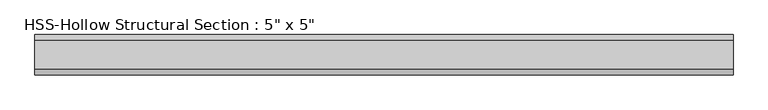
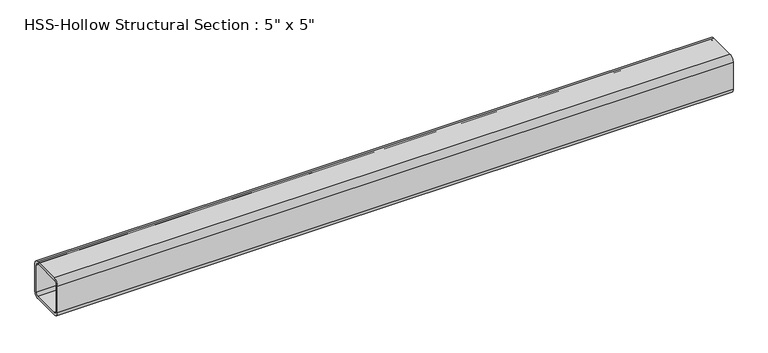
"""IFC4 building model written with IfcOpenShell, lengths in millimetres: beam geometry."""

from ifc_helpers import new_model, si_unit, point, frame, frame_2d, origin, place, context, project, spatial, polyline, circle_curve, trimmed, segment, composite_curve, outline, extrude, source, transform, mapped, element, save


def beam_c6bdea38(model_context):
    return source(origin(), model_context, "Body", "SweptSolid", [
        extrude(outline(composite_curve([segment(trimmed(circle_curve(frame_2d((-45.8390625, 45.8390625)), 17.6609375), [point((-63.5, 45.8390625))], [point((-45.8390625, 63.5))], False, "CARTESIAN"), True, "CONTINUOUS"), segment(polyline([(-45.8390625, 63.5), (45.8390625, 63.5)]), True, "CONTINUOUS"), segment(trimmed(circle_curve(frame_2d((45.8390625, 45.8390625)), 17.6609375), [point((45.8390625, 63.5))], [point((63.5, 45.8390625))], False, "CARTESIAN"), True, "CONTINUOUS"), segment(polyline([(63.5, 45.8390625), (63.5, -45.8390625)]), True, "CONTINUOUS"), segment(trimmed(circle_curve(frame_2d((45.8390625, -45.8390625)), 17.6609375), [point((63.5, -45.8390625))], [point((45.8390625, -63.5))], False, "CARTESIAN"), True, "CONTINUOUS"), segment(polyline([(45.8390625, -63.5), (-45.8390625, -63.5)]), True, "CONTINUOUS"), segment(trimmed(circle_curve(frame_2d((-45.8390625, -45.8390625)), 17.6609375), [point((-45.8390625, -63.5))], [point((-63.5, -45.8390625))], False, "CARTESIAN"), True, "CONTINUOUS"), segment(polyline([(-63.5, -45.8390625), (-63.5, 45.8390625)]), True, "CONTINUOUS")], self_intersect=False), holes=[composite_curve([segment(polyline([(45.8390625, 54.6695312), (-45.8390625, 54.6695312)]), True, "CONTINUOUS"), segment(trimmed(circle_curve(frame_2d((-45.8390625, 45.8390625)), 8.8304687), [point((-45.8390625, 54.6695312))], [point((-54.6695312, 45.8390625))], True, "CARTESIAN"), True, "CONTINUOUS"), segment(polyline([(-54.6695312, 45.8390625), (-54.6695312, -45.8390625)]), True, "CONTINUOUS"), segment(trimmed(circle_curve(frame_2d((-45.8390625, -45.8390625)), 8.8304687), [point((-54.6695312, -45.8390625))], [point((-45.8390625, -54.6695313))], True, "CARTESIAN"), True, "CONTINUOUS"), segment(polyline([(-45.8390625, -54.6695313), (45.8390625, -54.6695313)]), True, "CONTINUOUS"), segment(trimmed(circle_curve(frame_2d((45.8390625, -45.8390625)), 8.8304687), [point((45.8390625, -54.6695313))], [point((54.6695313, -45.8390625))], True, "CARTESIAN"), True, "CONTINUOUS"), segment(polyline([(54.6695313, -45.8390625), (54.6695313, 45.8390625)]), True, "CONTINUOUS"), segment(trimmed(circle_curve(frame_2d((45.8390625, 45.8390625)), 8.8304687), [point((54.6695313, 45.8390625))], [point((45.8390625, 54.6695312))], True, "CARTESIAN"), True, "CONTINUOUS")], self_intersect=False)]), frame((-1097.0020305, 0.0, 0.0), z_axis=(1.0, 0.0, 0.0), x_axis=(0.0, 1.0, 0.0)), (0.0, 0.0, 1.0), 2194.004061),
    ])


if __name__ == "__main__":
    model = new_model("IFC4")
    model_context = context("Model", 3, world=origin())
    ifc_project = project(units=[si_unit("LENGTHUNIT", "METRE", prefix="MILLI")], contexts=[model_context])
    site = spatial("IfcSite", under=ifc_project)
    building = spatial("IfcBuilding", under=site)
    placement = place(None, origin())
    beam_shape = beam_c6bdea38(model_context)
    element("IfcBeam", 1, ObjectType="HSS-Hollow Structural Section : 5\" x 5\"", at=placement, inside=building, context=model_context, shape_type="MappedRepresentation", body=[
        mapped(beam_shape, transform((0.0, 0.0, 0.0), x_axis=(1.0, 0.0, 0.0), y_axis=(0.0, 1.0, 0.0), z_axis=(0.0, 0.0, 1.0))),
    ])
    save(model, "model.ifc")
